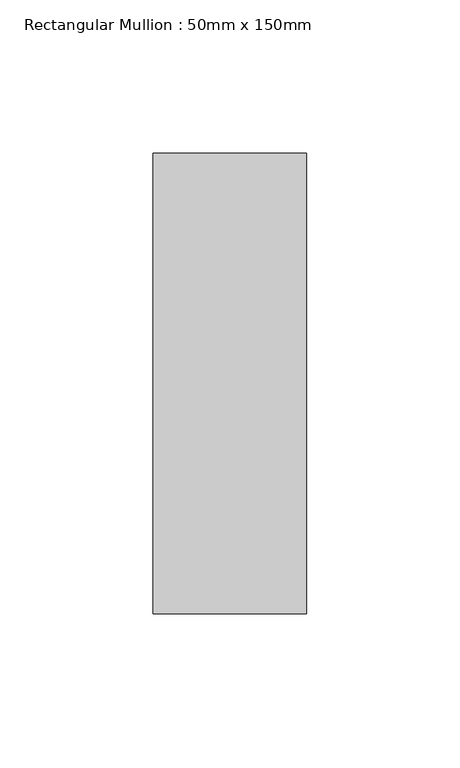
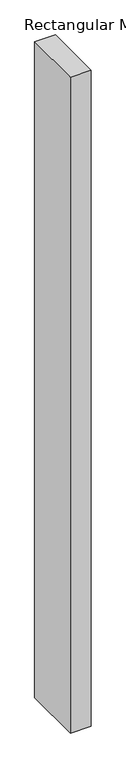
"""IFC4 building model written with IfcOpenShell, lengths in millimetres: member geometry, Rectangular Mullion : 50mm x 150mm."""

from ifc_helpers import new_model, si_unit, frame, origin, place, context, project, spatial, polyline, outline, extrude, source, transform, mapped, element, save


def rectangular_mullion_50mm_x_150mm_570d42e7(model_context):
    return source(origin(), model_context, "Body", "SweptSolid", [
        extrude(outline(polyline([(25.0, 75.0), (25.0, -75.0), (-25.0, -75.0), (-25.0, 75.0), (25.0, 75.0)])), frame((0.0, 0.0, -1677.9999999), z_axis=(0.0, 0.0, 1.0), x_axis=(1.0, 0.0, 0.0)), (0.0, 0.0, 1.0), 1677.9999999),
    ])


if __name__ == "__main__":
    model = new_model("IFC4")
    model_context = context("Model", 3, world=origin())
    ifc_project = project(units=[si_unit("LENGTHUNIT", "METRE", prefix="MILLI")], contexts=[model_context])
    site = spatial("IfcSite", under=ifc_project)
    building = spatial("IfcBuilding", under=site)
    placement = place(None, origin())
    rectangular_mullion_50mm_x_150mm_shape = rectangular_mullion_50mm_x_150mm_570d42e7(model_context)
    element("IfcMember", 1, ObjectType="Rectangular Mullion : 50mm x 150mm", at=placement, inside=building, context=model_context, shape_type="MappedRepresentation", body=[
        mapped(rectangular_mullion_50mm_x_150mm_shape, transform((0.0, 0.0, 0.0), x_axis=(1.0, 0.0, 0.0), y_axis=(0.0, 1.0, 0.0), z_axis=(0.0, 0.0, 1.0))),
    ])
    save(model, "model.ifc")
